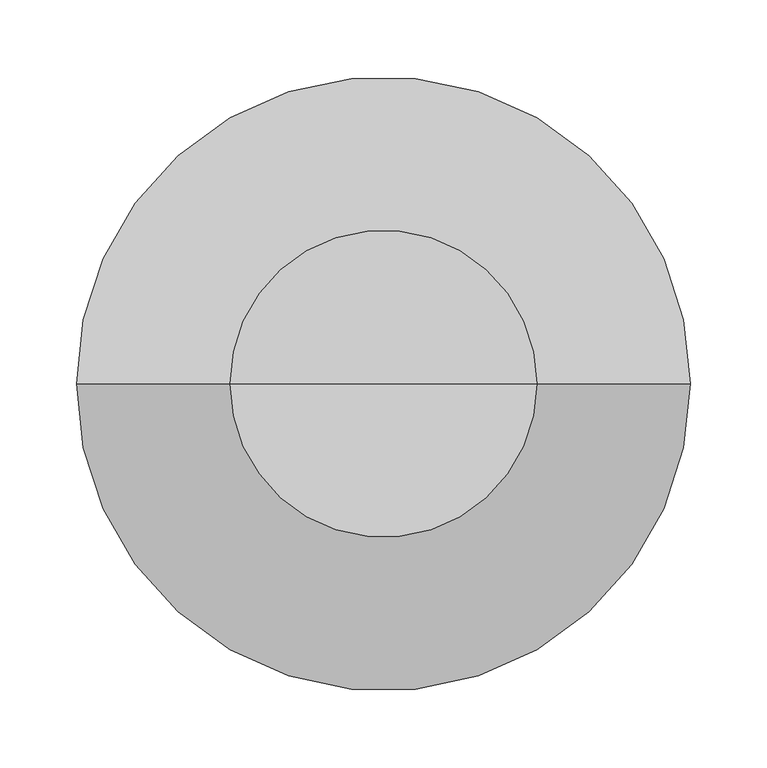
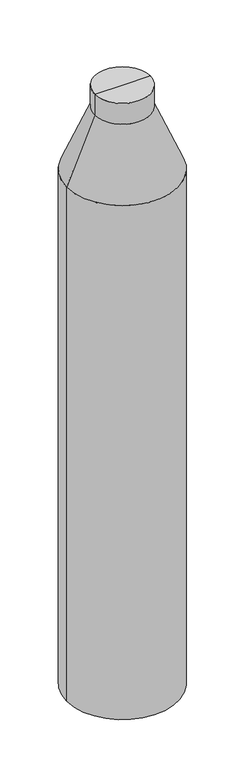
"""IFC4 building model written with IfcOpenShell, lengths in millimetres: column geometry."""

from ifc_helpers import new_model, si_unit, frame, origin, place, context, project, spatial, polyline, circle_curve, source, transform, mapped, element, save
from ifc_brep_helpers import plane_surface, cylinder_surface, revolved_surface, advanced_brep


def column_2e1ac597(model_context):
    return source(origin(), model_context, "Body", "AdvancedBrep", [
        advanced_brep(
        [(-200.0, 0.0, -639.125), (200.0, 0.0, -639.125), (200.0, 0.0, -2599.125), (-200.0, 0.0, -2599.125), (0.0, 0.0, -2599.125), (-100.0, 0.0, -399.125), (100.0, 0.0, -399.125), (-100.0, 0.0, -319.125), (100.0, 0.0, -319.125), (0.0, 0.0, -319.125)],
        [
            (0, 1, circle_curve(frame((0.0, 0.0, -639.125), z_axis=(0.0, 0.0, -1.0), x_axis=(1.0, 0.0, 0.0)), 200.0)),
            (1, 2),
            (2, 3, circle_curve(frame((0.0, 0.0, -2599.125), z_axis=(0.0, 0.0, 1.0), x_axis=(1.0, 0.0, 0.0)), 200.0)),
            (3, 0),
            (2, 4),
            (4, 3),
            (2, 3, circle_curve(frame((0.0, 0.0, -2599.125), z_axis=(0.0, 0.0, -1.0), x_axis=(1.0, 0.0, 0.0)), 200.0)),
            (1, 0, circle_curve(frame((0.0, 0.0, -639.125), z_axis=(0.0, 0.0, -1.0), x_axis=(1.0, 0.0, 0.0)), 200.0)),
            (5, 6, circle_curve(frame((0.0, 0.0, -399.125), z_axis=(0.0, 0.0, -1.0), x_axis=(1.0, 0.0, 0.0)), 100.0)),
            (6, 1),
            (0, 5),
            (6, 5, circle_curve(frame((0.0, 0.0, -399.125), z_axis=(0.0, 0.0, -1.0), x_axis=(1.0, 0.0, 0.0)), 100.0)),
            (7, 8, circle_curve(frame((0.0, 0.0, -319.125), z_axis=(0.0, 0.0, -1.0), x_axis=(1.0, 0.0, 0.0)), 100.0)),
            (8, 6),
            (5, 7),
            (8, 7, circle_curve(frame((0.0, 0.0, -319.125), z_axis=(0.0, 0.0, -1.0), x_axis=(1.0, 0.0, 0.0)), 100.0)),
            (9, 8),
            (7, 9),
        ],
        [
            cylinder_surface(frame((0.0, 0.0, -677.8940014), z_axis=(0.0, 0.0, 1.0), x_axis=(1.0, 0.0, 0.0)), 200.0),
            plane_surface(frame((0.0, 0.0, -2599.125), z_axis=(0.0, 0.0, -1.0), x_axis=(1.0, 0.0, 0.0))),
            revolved_surface(polyline([(200.0, 0.0, -639.125), (100.0, 0.0, -399.125)]), (0.0, 0.0, -677.8940014), (0.0, 0.0, 1.0)),
            cylinder_surface(frame((0.0, 0.0, -677.8940014), z_axis=(0.0, 0.0, 1.0), x_axis=(1.0, 0.0, 0.0)), 100.0),
            plane_surface(frame((0.0, 0.0, -319.125), z_axis=(0.0, 0.0, 1.0), x_axis=(1.0, 0.0, 0.0))),
        ],
        [
            (0, [[1, 2, 3, 4]]),
            (1, [[-3, 5, 6]]),
            (1, [[7, -6, -5]]),
            (0, [[8, -4, -7, -2]]),
            (2, [[9, 10, -1, 11]]),
            (2, [[12, -11, -8, -10]]),
            (3, [[13, 14, -9, 15]]),
            (3, [[16, -15, -12, -14]]),
            (4, [[17, -13, 18]]),
            (4, [[-18, -16, -17]]),
        ],
    ),
    ])


if __name__ == "__main__":
    model = new_model("IFC4")
    model_context = context("Model", 3, world=origin())
    ifc_project = project(units=[si_unit("LENGTHUNIT", "METRE", prefix="MILLI")], contexts=[model_context])
    site = spatial("IfcSite", under=ifc_project)
    building = spatial("IfcBuilding", under=site)
    placement = place(None, origin())
    column_shape = column_2e1ac597(model_context)
    element("IfcColumn", 1, at=placement, inside=building, context=model_context, shape_type="MappedRepresentation", body=[
        mapped(column_shape, transform((0.0, 0.0, 0.0), x_axis=(1.0, 0.0, 0.0), y_axis=(0.0, 1.0, 0.0), z_axis=(0.0, 0.0, 1.0))),
    ])
    save(model, "model.ifc")
